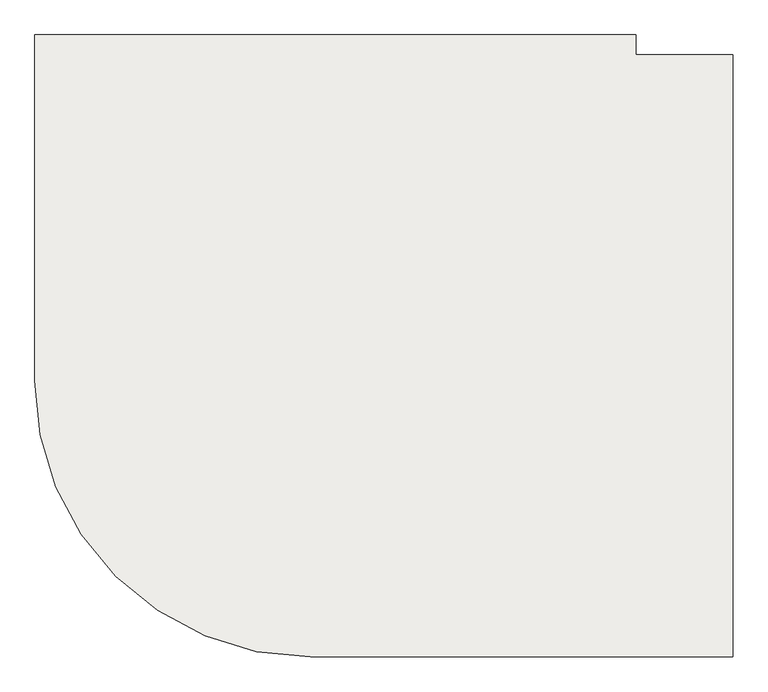
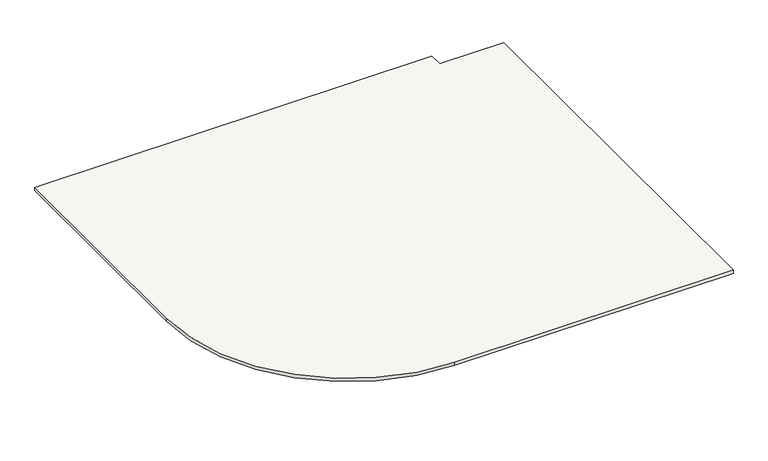
"""IFC4 building model written with IfcOpenShell, lengths in millimetres: slab geometry."""

from ifc_helpers import new_model, si_unit, point, frame, frame_2d, origin, place, context, project, spatial, polyline, circle_curve, trimmed, segment, composite_curve, outline, extrude, source, transform, mapped, element, save


def slab_d2607cbd(model_context):
    return source(origin(), model_context, "Body", "SweptSolid", [
        extrude(outline(composite_curve([segment(polyline([(138273.7432689, 80715.1344505), (136589.6450442, 80715.1344505)]), True, "CONTINUOUS"), segment(trimmed(circle_curve(frame_2d((136589.6450442, 81815.1344505)), 1100.0), [point((136589.6450442, 80715.1344505))], [point((135489.6450442, 81815.1344505))], False, "CARTESIAN"), True, "CONTINUOUS"), segment(polyline([(135489.6450442, 81815.1344505), (135489.6450442, 83195.1344505), (137887.3386111, 83195.1344505), (137887.3386111, 83115.1344505), (138273.7432689, 83115.1344505), (138273.7432689, 80715.1344505)]), True, "CONTINUOUS")], self_intersect=False)), frame((0.0, 0.0, 1299.7255801), z_axis=(0.0, 0.0, 1.0), x_axis=(1.0, 0.0, 0.0)), (0.0, 0.0, 1.0), 20.0),
    ])


if __name__ == "__main__":
    model = new_model("IFC4")
    model_context = context("Model", 3, world=origin())
    ifc_project = project(units=[si_unit("LENGTHUNIT", "METRE", prefix="MILLI")], contexts=[model_context])
    site = spatial("IfcSite", under=ifc_project)
    building = spatial("IfcBuilding", under=site)
    placement = place(None, origin())
    slab_shape = slab_d2607cbd(model_context)
    element("IfcSlab", 1, at=placement, inside=building, context=model_context, shape_type="MappedRepresentation", body=[
        mapped(slab_shape, transform((0.0, 0.0, 0.0), x_axis=(1.0, 0.0, 0.0), y_axis=(0.0, 1.0, 0.0), z_axis=(0.0, 0.0, 1.0))),
    ])
    save(model, "model.ifc")
